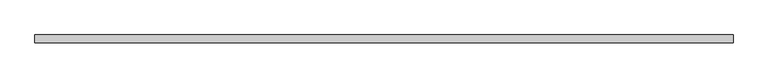
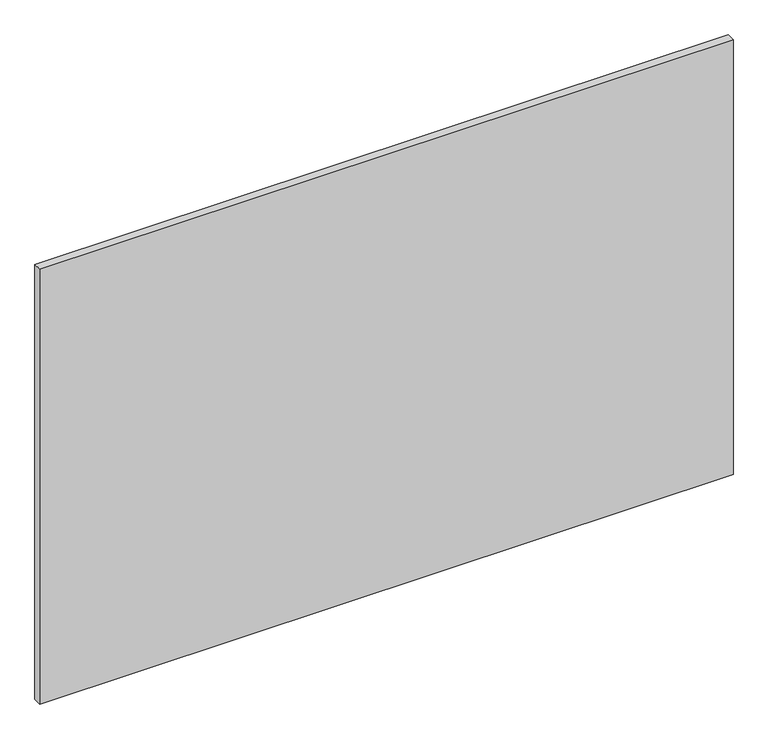
"""IFC4 building model written with IfcOpenShell, lengths in millimetres: plate geometry."""

from ifc_helpers import new_model, si_unit, origin, origin_with_axes, place, context, project, spatial, polyline, outline, extrude, source, transform, mapped, element, save


def plate_25074871(model_context):
    return source(origin(), model_context, "Body", "SweptSolid", [
        extrude(outline(polyline([(627.75, 7.25), (627.75, -7.25), (-627.75, -7.25), (-627.75, 7.25), (627.75, 7.25)])), origin_with_axes(), (0.0, 0.0, 1.0), 833.3),
    ])


if __name__ == "__main__":
    model = new_model("IFC4")
    model_context = context("Model", 3, world=origin())
    ifc_project = project(units=[si_unit("LENGTHUNIT", "METRE", prefix="MILLI")], contexts=[model_context])
    site = spatial("IfcSite", under=ifc_project)
    building = spatial("IfcBuilding", under=site)
    placement = place(None, origin())
    plate_shape = plate_25074871(model_context)
    element("IfcPlate", 1, at=placement, inside=building, context=model_context, shape_type="MappedRepresentation", body=[
        mapped(plate_shape, transform((0.0, 0.0, 0.0), x_axis=(1.0, 0.0, 0.0), y_axis=(0.0, 1.0, 0.0), z_axis=(0.0, 0.0, 1.0))),
    ])
    save(model, "model.ifc")
